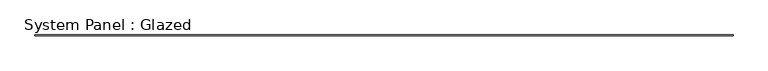
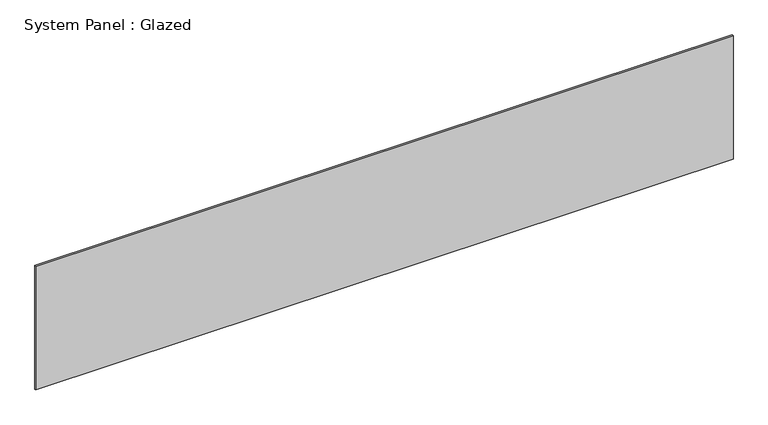
"""IFC4 building model written with IfcOpenShell, lengths in millimetres: plate geometry, System Panel : Glazed."""

from ifc_helpers import new_model, si_unit, origin, origin_with_axes, place, context, project, spatial, polyline, outline, extrude, source, transform, mapped, element, save


def system_panel_glazed_c556e38e(model_context):
    return source(origin(), model_context, "Body", "SweptSolid", [
        extrude(outline(polyline([(8002.8539663, 24.5), (-8002.8539663, 24.5), (-8002.8539663, 49.5), (8002.8539663, 49.5), (8002.8539663, 24.5)])), origin_with_axes(), (0.0, 0.0, 1.0), 3000.0),
    ])


if __name__ == "__main__":
    model = new_model("IFC4")
    model_context = context("Model", 3, world=origin())
    ifc_project = project(units=[si_unit("LENGTHUNIT", "METRE", prefix="MILLI")], contexts=[model_context])
    site = spatial("IfcSite", under=ifc_project)
    building = spatial("IfcBuilding", under=site)
    placement = place(None, origin())
    system_panel_glazed_shape = system_panel_glazed_c556e38e(model_context)
    element("IfcPlate", 1, ObjectType="System Panel : Glazed", at=placement, inside=building, context=model_context, shape_type="MappedRepresentation", body=[
        mapped(system_panel_glazed_shape, transform((0.0, 0.0, 0.0), x_axis=(1.0, 0.0, 0.0), y_axis=(0.0, 1.0, 0.0), z_axis=(0.0, 0.0, 1.0))),
    ])
    save(model, "model.ifc")
